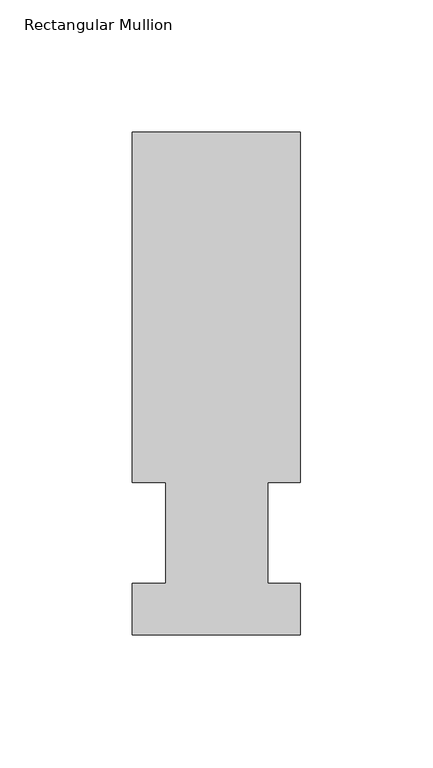
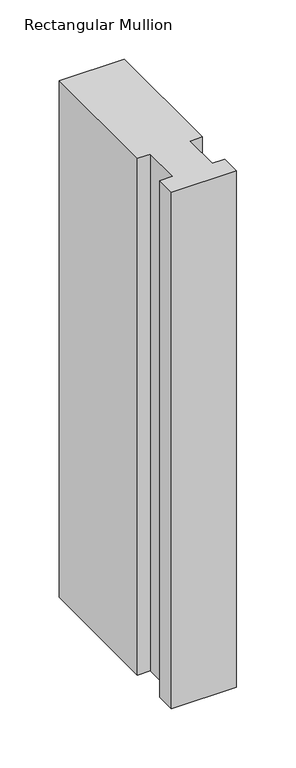
"""IFC4 building model written with IfcOpenShell, lengths in millimetres: member geometry, Rectangular Mullion."""

from ifc_helpers import new_model, si_unit, frame, origin, place, context, project, spatial, polyline, outline, extrude, source, transform, mapped, element, save


def rectangular_mullion_1d38640f(model_context):
    return source(origin(), model_context, "Body", "SweptSolid", [
        extrude(outline(polyline([(-63.5, 57.6460937), (-63.5, 190.0816937), (0.0, 190.0816937), (0.0, 57.6460937), (-12.3418395, 57.6460937), (-12.3418395, 19.5460937), (0.0, 19.5460937), (0.0, 0.0134938), (-63.5, 0.0134938), (-63.5, 19.5460937), (-50.8, 19.5460937), (-50.8, 57.6460937), (-63.5, 57.6460937)])), frame((0.0, 0.0, -533.4134937), z_axis=(0.0, 0.0, 1.0), x_axis=(1.0, 0.0, 0.0)), (0.0, 0.0, 1.0), 533.4134937),
    ])


if __name__ == "__main__":
    model = new_model("IFC4")
    model_context = context("Model", 3, world=origin())
    ifc_project = project(units=[si_unit("LENGTHUNIT", "METRE", prefix="MILLI")], contexts=[model_context])
    site = spatial("IfcSite", under=ifc_project)
    building = spatial("IfcBuilding", under=site)
    placement = place(None, origin())
    rectangular_mullion_shape = rectangular_mullion_1d38640f(model_context)
    element("IfcMember", 1, ObjectType="Rectangular Mullion", at=placement, inside=building, context=model_context, shape_type="MappedRepresentation", body=[
        mapped(rectangular_mullion_shape, transform((0.0, 0.0, 0.0), x_axis=(1.0, 0.0, 0.0), y_axis=(0.0, 1.0, 0.0), z_axis=(0.0, 0.0, 1.0))),
    ])
    save(model, "model.ifc")
